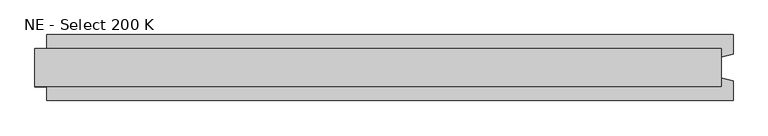
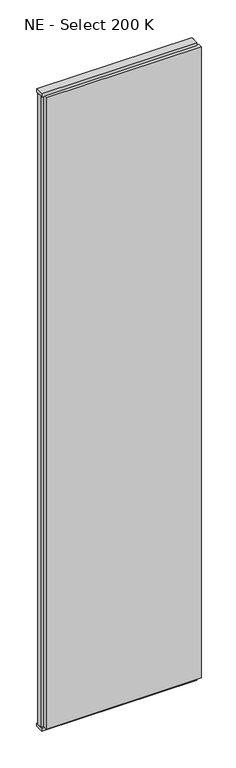
"""IFC4 building model written with IfcOpenShell, lengths in millimetres: plate geometry, NE - Select 200 K."""

from ifc_helpers import new_model, si_unit, frame, origin, origin_with_axes, place, context, project, spatial, polyline, outline, extrude, source, transform, mapped, element, save


def ne_select_200_k_9709ec8c(model_context):
    return source(origin(), model_context, "Body", "SweptSolid", [
        extrude(outline(polyline([(594.5833333, 55.0), (594.5833333, 22.9993165), (574.5833333, 17.6401049), (574.5833333, -17.6401049), (594.5833333, -22.9993165), (594.5833333, -55.0), (-554.5833333, -55.0), (-554.5833333, -22.9993165), (-574.5833333, -17.6401049), (-574.5833333, 17.6401049), (-554.5833333, 22.9993165), (-554.5833333, 55.0), (594.5833333, 55.0)])), frame((0.0, 0.0, 25.0), z_axis=(0.0, 0.0, 1.0), x_axis=(1.0, 0.0, 0.0)), (0.0, 0.0, 1.0), 4950.0),
        extrude(outline(polyline([(574.5833333, 32.0), (574.5833333, -32.0), (-574.5833333, -32.0), (-574.5833333, 32.0), (574.5833333, 32.0)])), origin_with_axes(), (0.0, 0.0, 1.0), 25.0),
        extrude(outline(polyline([(574.5833333, 32.0), (574.5833333, -32.0), (-574.5833333, -32.0), (-574.5833333, 32.0), (574.5833333, 32.0)])), frame((0.0, 0.0, 4975.0), z_axis=(0.0, 0.0, 1.0), x_axis=(1.0, 0.0, 0.0)), (0.0, 0.0, 1.0), 25.0),
    ])


if __name__ == "__main__":
    model = new_model("IFC4")
    model_context = context("Model", 3, world=origin())
    ifc_project = project(units=[si_unit("LENGTHUNIT", "METRE", prefix="MILLI")], contexts=[model_context])
    site = spatial("IfcSite", under=ifc_project)
    building = spatial("IfcBuilding", under=site)
    placement = place(None, origin())
    ne_select_200_k_shape = ne_select_200_k_9709ec8c(model_context)
    element("IfcPlate", 1, ObjectType="NE - Select 200 K", at=placement, inside=building, context=model_context, shape_type="MappedRepresentation", body=[
        mapped(ne_select_200_k_shape, transform((0.0, 0.0, 0.0), x_axis=(1.0, 0.0, 0.0), y_axis=(0.0, 1.0, 0.0), z_axis=(0.0, 0.0, 1.0))),
    ])
    save(model, "model.ifc")
